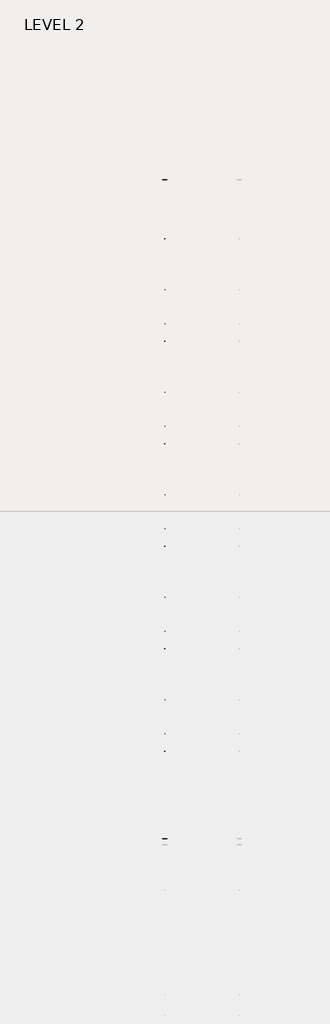
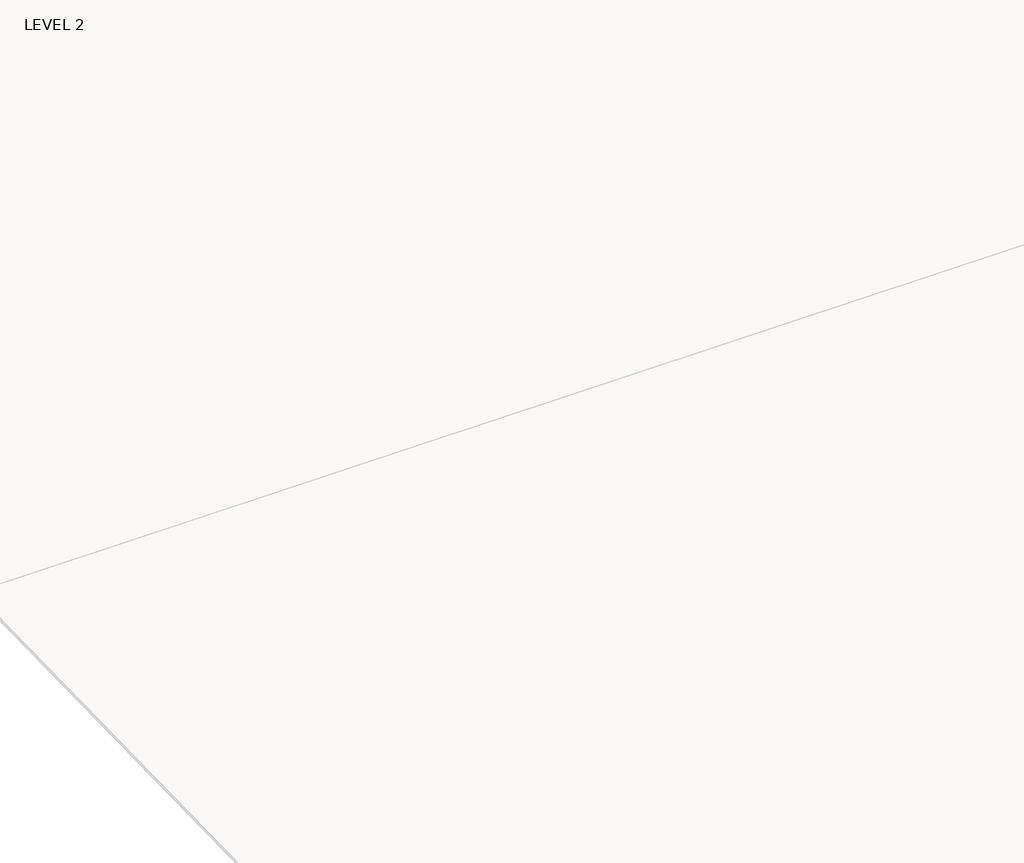
# One storey, part 16 of 67: 1 beam.
"""IFC4 building model written with IfcOpenShell, lengths in millimetres."""

from ifc_helpers import new_model, si_unit, frame, origin, place, context, project, spatial, polyline, outline, extrude, faceted_brep, element, save

model = new_model("IFC4")

# Units and contexts
model_context = context("Model", 3, world=origin())
ifc_project = project(units=[si_unit("LENGTHUNIT", "METRE", prefix="MILLI")], contexts=[model_context])

# Site, building, storey
site = spatial("IfcSite", under=ifc_project)
building = spatial("IfcBuilding", under=site)
storey = spatial("IfcBuildingStorey", under=building, Name="LEVEL 2", Elevation=6908.8)

# Beam
placement = place(None, origin())
element("IfcBeam", 1, ObjectType="K-Series Bar Joist-Angle Web : 20K3", at=placement, inside=storey, context=model_context, shape_type="SolidModel", body=[
    extrude(outline(polyline([(0.0, -9.525), (0.0, 0.0), (1028.0726482, 0.0), (1028.0726482, -9.525), (0.0, -9.525)])), frame((13664.7614942, 3035.5839205, 6301.58688), z_axis=(0.0, -0.4590612504427091, 0.8884046197212035), x_axis=(0.0, -0.8884046197212035, -0.4590612504427091)), (0.0, 0.0, 1.0), 9.525),
    extrude(outline(polyline([(0.0, -9.525), (0.0, 0.0), (1028.0726482, 0.0), (1028.0726482, -9.525), (0.0, -9.525)])), frame((13655.2364942, -8186.0164735, 6276.4352176), z_axis=(0.0, 0.45507418639266606, 0.8904535276358071), x_axis=(0.0, 0.8904535276358071, -0.45507418639266606)), (0.0, 0.0, 1.0), 9.525),
    extrude(outline(polyline([(4.7625, 4.7625), (4.7625, -4.7624999), (-4.7625, -4.7624999), (-4.7625, 4.7625), (4.7625, 4.7625)])), frame((13659.9989942, 2120.0531513, 5833.8695915), z_axis=(0.0, 0.5277744838731272, 0.8493845384585561), x_axis=(-1.0, 0.0, 0.0)), (0.0, 0.0, 1.0), 553.9970421),
    extrude(outline(polyline([(4.7625, 4.7625), (4.7625, -4.7625), (-4.7625, -4.7625), (-4.7625, 4.7625), (4.7625, 4.7625)])), frame((13659.9989942, -7268.3982664, 5812.8266786), z_axis=(0.0, -0.5315767175055621, 0.8470101495295153), x_axis=(-1.0, 0.0, 0.0)), (0.0, 0.0, 1.0), 553.9970421),
    extrude(outline(polyline([(0.0, 0.0), (31.75, 0.0), (31.75, -6.35), (6.35, -6.35), (6.35, -31.75), (0.0, -31.75), (0.0, 0.0)])), frame((13664.7614942, -7369.9837786, 5806.2489728), z_axis=(0.0, 0.9999974881589226, 0.0022413558051810334), x_axis=(1.0, 0.0, 0.0)), (0.0, 0.0, 1.0), 9591.675),
    extrude(outline(polyline([(-9.525, 0.0), (-9.525, -31.75), (-15.875, -31.75), (-15.875, -6.35), (-41.275, -6.35), (-41.275, 0.0), (-9.525, 0.0)])), frame((13664.7614942, -7369.9837786, 5806.2489728), z_axis=(0.0, 0.9999974881589226, 0.0022413558051810334), x_axis=(1.0, 0.0, 0.0)), (0.0, 0.0, 1.0), 9591.675),
    extrude(outline(polyline([(-31.75, 0.0), (0.0, 0.0), (0.0, -6.3500001), (-25.4, -6.3500001), (-25.4, -31.7500001), (-31.75, -31.7500001), (-31.75, 0.0)])), frame((13696.5114942, -8285.3777644, 6248.6983605), z_axis=(0.0, 0.9999974881589226, 0.0022413558051810334), x_axis=(1.0, 0.0, 0.0)), (0.0, 0.0, 1.0), 101.6),
    extrude(outline(polyline([(-41.275, 0.0), (-41.275, -31.7500001), (-47.625, -31.7500001), (-47.625, -6.3500001), (-73.025, -6.3500001), (-73.025, 0.0), (-41.275, 0.0)])), frame((13696.5114942, -8285.3777644, 6248.6983605), z_axis=(0.0, 0.9999974881589226, 0.0022413558051810334), x_axis=(1.0, 0.0, 0.0)), (0.0, 0.0, 1.0), 101.6),
    extrude(outline(polyline([(0.0, 0.0), (31.7500001, 0.0), (31.7500001, -6.35), (6.3500001, -6.35), (6.3500001, -31.75), (0.0, -31.75), (0.0, 0.0)])), frame((13655.2364942, 3033.4688044, 6274.0679867), z_axis=(0.0, 0.9999974881589226, 0.0022413558051810334), x_axis=(0.0, -0.0022413558051810334, 0.9999974881589226)), (0.0, 0.0, 1.0), 101.6),
    extrude(outline(polyline([(0.0, 41.275), (6.3500001, 41.275), (6.3500001, 15.875), (31.7500001, 15.875), (31.7500001, 9.525), (0.0, 9.525), (0.0, 41.275)])), frame((13655.2364942, 3033.4688044, 6274.0679867), z_axis=(0.0, 0.9999974881589226, 0.0022413558051810334), x_axis=(0.0, -0.0022413558051810334, 0.9999974881589226)), (0.0, 0.0, 1.0), 101.6),
    extrude(outline(polyline([(0.0, 0.0), (31.75, 0.0), (31.75, -6.35), (6.35, -6.35), (6.35, -31.75), (0.0, -31.75), (0.0, 0.0)])), frame((13664.7614942, -8285.5200905, 6312.198201), z_axis=(0.0, 0.9999974881589226, 0.0022413558051810334), x_axis=(0.0, 0.0022413558051810334, -0.9999974881589226)), (0.0, 0.0, 1.0), 11420.475),
    extrude(outline(polyline([(0.0, 9.525), (0.0, 41.275), (6.35, 41.275), (6.35, 15.875), (31.75, 15.875), (31.75, 9.525), (0.0, 9.525)])), frame((13664.7614942, -8285.5200905, 6312.198201), z_axis=(0.0, 0.9999974881589226, 0.0022413558051810334), x_axis=(0.0, 0.0022413558051810334, -0.9999974881589226)), (0.0, 0.0, 1.0), 11420.475),
    faceted_brep([(13659.9989942, 2120.0175697, 5849.7445517), (13659.9989942, 2120.0602676, 5830.6945995), (13655.2364942, 2120.0602676, 5830.6945995), (13655.2364942, 2120.0175697, 5849.7445517), (13659.9989942, 2119.1460678, 5849.7425983), (13659.9989942, 1837.3256415, 6331.7121491), (13659.9989942, 1819.1471913, 6331.6714046), (13659.9989942, 1819.1898891, 6312.6214525), (13659.9989942, 1826.4113751, 6312.6376384), (13659.9989942, 2108.2318014, 5830.6680876), (13655.2364942, 2108.2318014, 5830.6680876), (13655.2364942, 2087.8369021, 5865.547463), (13655.2364942, 2091.9481538, 5867.9514213), (13655.2364942, 1839.7930356, 6299.1873352), (13655.2364942, 1835.6817839, 6296.7833769), (13655.2364942, 1826.4113751, 6312.6376384), (13655.2364942, 1819.1898891, 6312.6214525), (13655.2364942, 1819.1471913, 6331.6714046), (13655.2364942, 1837.3256415, 6331.7121491), (13655.2364942, 2119.1460678, 5849.7425983), (13642.5364942, 1835.6817839, 6296.7833769), (13642.5364942, 2087.8369021, 5865.547463), (13642.5364942, 2091.9481538, 5867.9514213), (13642.5364942, 1839.7930356, 6299.1873352)], [[[0, 1, 2, 3]], [[1, 0, 4, 5, 6, 7, 8, 9]], [[2, 1, 9, 10]], [[3, 2, 10, 11, 12, 13, 14, 15, 16, 17, 18, 19]], [[0, 3, 19, 4]], [[9, 8, 15, 14, 20, 21, 11, 10]], [[5, 4, 19, 18]], [[7, 6, 17, 16]], [[8, 7, 16, 15]], [[6, 5, 18, 17]], [[21, 22, 12, 11]], [[20, 14, 13, 23]], [[22, 21, 20, 23]], [[12, 22, 23, 13]]]),
    extrude(outline(polyline([(1533.1828355, 5829.3791951), (1533.1401376, 5848.4291472), (1534.0116396, 5848.4311006), (1813.6687092, 6331.6591254), (1831.8471594, 6331.6998698), (1831.8898572, 6312.6499177), (1824.6683713, 6312.6337317), (1545.0113016, 5829.4057069), (1533.1828355, 5829.3791951)])), frame((13659.9989942, 0.0, 0.0), z_axis=(1.0, 0.0, 0.0), x_axis=(0.0, 1.0, 0.0)), (0.0, 0.0, 1.0), 4.7625),
    extrude(outline(polyline([(-4.7625, 4.7625), (-4.7625, 0.0), (-17.4625, 0.0), (-17.4625, 4.7625), (-4.7625, 4.7625)])), frame((13659.9989942, 1565.2496422, 5864.3761561), z_axis=(0.0, 0.5008933658556247, 0.865509004021231), x_axis=(-1.0, 0.0, 0.0)), (0.0, 0.0, 1.0), 499.5464113),
    faceted_brep([(13659.9989942, -6681.5564158, 5830.0170432), (13659.9989942, -6681.513718, 5810.967091), (13655.2364942, -6681.513718, 5810.967091), (13655.2364942, -6681.5564158, 5830.0170432), (13659.9989942, -6682.4279177, 5830.0150898), (13659.9989942, -6964.248344, 6311.9846406), (13659.9989942, -6982.4267942, 6311.9438961), (13659.9989942, -6982.3840964, 6292.893944), (13659.9989942, -6975.1626104, 6292.9101299), (13659.9989942, -6693.3421841, 5810.9405791), (13655.2364942, -6693.3421841, 5810.9405791), (13655.2364942, -6713.7370834, 5845.8199545), (13655.2364942, -6709.6258317, 5848.2239128), (13655.2364942, -6961.7809499, 6279.4598267), (13655.2364942, -6965.8922016, 6277.0558684), (13655.2364942, -6975.1626104, 6292.9101299), (13655.2364942, -6982.3840964, 6292.893944), (13655.2364942, -6982.4267942, 6311.9438961), (13655.2364942, -6964.248344, 6311.9846406), (13655.2364942, -6682.4279177, 5830.0150898), (13642.5364942, -6965.8922016, 6277.0558684), (13642.5364942, -6713.7370834, 5845.8199545), (13642.5364942, -6709.6258317, 5848.2239128), (13642.5364942, -6961.7809499, 6279.4598267)], [[[0, 1, 2, 3]], [[1, 0, 4, 5, 6, 7, 8, 9]], [[2, 1, 9, 10]], [[3, 2, 10, 11, 12, 13, 14, 15, 16, 17, 18, 19]], [[0, 3, 19, 4]], [[9, 8, 15, 14, 20, 21, 11, 10]], [[5, 4, 19, 18]], [[7, 6, 17, 16]], [[8, 7, 16, 15]], [[6, 5, 18, 17]], [[21, 22, 12, 11]], [[20, 14, 13, 23]], [[22, 21, 20, 23]], [[12, 22, 23, 13]]]),
    extrude(outline(polyline([(-7268.3911501, 5809.6516866), (-7268.4338479, 5828.7016387), (-7267.562346, 5828.7035921), (-6987.9052763, 6311.9316169), (-6969.7268261, 6311.9723613), (-6969.6841283, 6292.9224092), (-6976.9056143, 6292.9062232), (-7256.5626839, 5809.6781984), (-7268.3911501, 5809.6516866)])), frame((13659.9989942, 0.0, 0.0), z_axis=(1.0, 0.0, 0.0), x_axis=(0.0, 1.0, 0.0)), (0.0, 0.0, 1.0), 4.7625),
    extrude(outline(polyline([(-4.7625, 4.7625), (-4.7625, 0.0), (-17.4625, 0.0), (-17.4625, 4.7625), (-4.7625, 4.7625)])), frame((13659.9989942, -7236.3243434, 5844.6486476), z_axis=(0.0, 0.5008933658556247, 0.865509004021231), x_axis=(-1.0, 0.0, 0.0)), (0.0, 0.0, 1.0), 499.5464113),
    faceted_brep([(13659.9989942, 1533.2459707, 5848.4293844), (13659.9989942, 1533.2886685, 5829.3794323), (13655.2364942, 1533.2886685, 5829.3794323), (13655.2364942, 1533.2459707, 5848.4293844), (13659.9989942, 1532.3744688, 5848.4274311), (13659.9989942, 1250.5540425, 6330.3969819), (13659.9989942, 1232.3755923, 6330.3562374), (13659.9989942, 1232.4182901, 6311.3062852), (13659.9989942, 1239.6397761, 6311.3224712), (13659.9989942, 1521.4602024, 5829.3529204), (13655.2364942, 1521.4602024, 5829.3529204), (13655.2364942, 1501.0653031, 5864.2322958), (13655.2364942, 1505.1765548, 5866.6362541), (13655.2364942, 1253.0214366, 6297.872168), (13655.2364942, 1248.9101849, 6295.4682097), (13655.2364942, 1239.6397761, 6311.3224712), (13655.2364942, 1232.4182901, 6311.3062852), (13655.2364942, 1232.3755923, 6330.3562374), (13655.2364942, 1250.5540425, 6330.3969819), (13655.2364942, 1532.3744688, 5848.4274311), (13642.5364942, 1248.9101849, 6295.4682097), (13642.5364942, 1501.0653031, 5864.2322958), (13642.5364942, 1505.1765548, 5866.6362541), (13642.5364942, 1253.0214366, 6297.872168)], [[[0, 1, 2, 3]], [[1, 0, 4, 5, 6, 7, 8, 9]], [[2, 1, 9, 10]], [[3, 2, 10, 11, 12, 13, 14, 15, 16, 17, 18, 19]], [[0, 3, 19, 4]], [[9, 8, 15, 14, 20, 21, 11, 10]], [[5, 4, 19, 18]], [[7, 6, 17, 16]], [[8, 7, 16, 15]], [[6, 5, 18, 17]], [[21, 22, 12, 11]], [[20, 14, 13, 23]], [[22, 21, 20, 23]], [[12, 22, 23, 13]]]),
    extrude(outline(polyline([(946.4112364, 5828.0640278), (946.3685386, 5847.11398), (947.2400405, 5847.1159333), (1226.8971102, 6330.3439581), (1245.0755604, 6330.3847026), (1245.1182582, 6311.3347505), (1237.8967722, 6311.3185645), (958.2397026, 5828.0905397), (946.4112364, 5828.0640278)])), frame((13659.9989942, 0.0, 0.0), z_axis=(1.0, 0.0, 0.0), x_axis=(0.0, 1.0, 0.0)), (0.0, 0.0, 1.0), 4.7625),
    extrude(outline(polyline([(-4.7625, 4.7625), (-4.7625, 0.0), (-17.4625, 0.0), (-17.4625, 4.7625), (-4.7625, 4.7625)])), frame((13659.9989942, 978.4780432, 5863.0609889), z_axis=(0.0, 0.5008933658556247, 0.865509004021231), x_axis=(-1.0, 0.0, 0.0)), (0.0, 0.0, 1.0), 499.5464113),
    faceted_brep([(13659.9989942, 946.4743717, 5847.1142172), (13659.9989942, 946.5170695, 5828.064265), (13655.2364942, 946.5170695, 5828.064265), (13655.2364942, 946.4743717, 5847.1142172), (13659.9989942, 945.6028697, 5847.1122638), (13659.9989942, 663.7824435, 6329.0818146), (13659.9989942, 645.6039932, 6329.0410701), (13659.9989942, 645.6466911, 6309.991118), (13659.9989942, 652.8681771, 6310.007304), (13659.9989942, 934.6886033, 5828.0377532), (13655.2364942, 934.6886033, 5828.0377532), (13655.2364942, 914.2937041, 5862.9171286), (13655.2364942, 918.4049558, 5865.3210869), (13655.2364942, 666.2498375, 6296.5570007), (13655.2364942, 662.1385858, 6294.1530424), (13655.2364942, 652.8681771, 6310.007304), (13655.2364942, 645.6466911, 6309.991118), (13655.2364942, 645.6039932, 6329.0410701), (13655.2364942, 663.7824435, 6329.0818146), (13655.2364942, 945.6028697, 5847.1122638), (13642.5364942, 662.1385858, 6294.1530424), (13642.5364942, 914.2937041, 5862.9171286), (13642.5364942, 918.4049558, 5865.3210869), (13642.5364942, 666.2498375, 6296.5570007)], [[[0, 1, 2, 3]], [[1, 0, 4, 5, 6, 7, 8, 9]], [[2, 1, 9, 10]], [[3, 2, 10, 11, 12, 13, 14, 15, 16, 17, 18, 19]], [[0, 3, 19, 4]], [[9, 8, 15, 14, 20, 21, 11, 10]], [[5, 4, 19, 18]], [[7, 6, 17, 16]], [[8, 7, 16, 15]], [[6, 5, 18, 17]], [[21, 22, 12, 11]], [[20, 14, 13, 23]], [[22, 21, 20, 23]], [[12, 22, 23, 13]]]),
    extrude(outline(polyline([(359.6396374, 5826.7488606), (359.5969396, 5845.7988128), (360.4684415, 5845.8007661), (640.1255111, 6329.0287909), (658.3039613, 6329.0695354), (658.3466592, 6310.0195832), (651.1251732, 6310.0033973), (371.4681035, 5826.7753725), (359.6396374, 5826.7488606)])), frame((13659.9989942, 0.0, 0.0), z_axis=(1.0, 0.0, 0.0), x_axis=(0.0, 1.0, 0.0)), (0.0, 0.0, 1.0), 4.7625),
    extrude(outline(polyline([(-4.7625, 4.7625), (-4.7625, 0.0), (-17.4625, 0.0), (-17.4625, 4.7625), (-4.7625, 4.7625)])), frame((13659.9989942, 391.7064441, 5861.7458216), z_axis=(0.0, 0.5008933658556247, 0.865509004021231), x_axis=(-1.0, 0.0, 0.0)), (0.0, 0.0, 1.0), 499.5464113),
    faceted_brep([(13659.9989942, 359.7027726, 5845.79905), (13659.9989942, 359.7454705, 5826.7490978), (13655.2364942, 359.7454705, 5826.7490978), (13655.2364942, 359.7027726, 5845.79905), (13659.9989942, 358.8312707, 5845.7970966), (13659.9989942, 77.0108444, 6327.7666474), (13659.9989942, 58.8323942, 6327.7259029), (13659.9989942, 58.875092, 6308.6759508), (13659.9989942, 66.096578, 6308.6921367), (13659.9989942, 347.9170043, 5826.7225859), (13655.2364942, 347.9170043, 5826.7225859), (13655.2364942, 327.522105, 5861.6019613), (13655.2364942, 331.6333567, 5864.0059196), (13655.2364942, 79.4782385, 6295.2418335), (13655.2364942, 75.3669868, 6292.8378752), (13655.2364942, 66.096578, 6308.6921367), (13655.2364942, 58.875092, 6308.6759508), (13655.2364942, 58.8323942, 6327.7259029), (13655.2364942, 77.0108444, 6327.7666474), (13655.2364942, 358.8312707, 5845.7970966), (13642.5364942, 75.3669868, 6292.8378752), (13642.5364942, 327.522105, 5861.6019613), (13642.5364942, 331.6333567, 5864.0059196), (13642.5364942, 79.4782385, 6295.2418335)], [[[0, 1, 2, 3]], [[1, 0, 4, 5, 6, 7, 8, 9]], [[2, 1, 9, 10]], [[3, 2, 10, 11, 12, 13, 14, 15, 16, 17, 18, 19]], [[0, 3, 19, 4]], [[9, 8, 15, 14, 20, 21, 11, 10]], [[5, 4, 19, 18]], [[7, 6, 17, 16]], [[8, 7, 16, 15]], [[6, 5, 18, 17]], [[21, 22, 12, 11]], [[20, 14, 13, 23]], [[22, 21, 20, 23]], [[12, 22, 23, 13]]]),
    extrude(outline(polyline([(-227.1319616, 5825.4336934), (-227.1746595, 5844.4836455), (-226.3031575, 5844.4855989), (53.3539121, 6327.7136237), (71.5323623, 6327.7543681), (71.5750601, 6308.704416), (64.3535742, 6308.68823), (-215.3034955, 5825.4602052), (-227.1319616, 5825.4336934)])), frame((13659.9989942, 0.0, 0.0), z_axis=(1.0, 0.0, 0.0), x_axis=(0.0, 1.0, 0.0)), (0.0, 0.0, 1.0), 4.7625),
    extrude(outline(polyline([(-4.7625, 4.7625001), (-4.7625, 0.0), (-17.4625, 0.0), (-17.4625, 4.7625001), (-4.7625, 4.7625001)])), frame((13659.9989942, -195.0651549, 5860.4306544), z_axis=(0.0, 0.5008933658556247, 0.865509004021231), x_axis=(-1.0, 0.0, 0.0)), (0.0, 0.0, 1.0), 499.5464113),
    faceted_brep([(13659.9989942, -527.896507, 6307.3607835), (13659.9989942, -527.9392048, 6326.4107357), (13655.2364942, -527.9392048, 6326.4107357), (13655.2364942, -527.896507, 6307.3607835), (13659.9989942, -520.675021, 6307.3769695), (13655.2364942, -520.675021, 6307.3769695), (13642.5364942, -255.1382423, 5862.6907524), (13642.5364942, -259.249494, 5860.2867941), (13642.5364942, -511.4046122, 6291.522708), (13642.5364942, -507.2933605, 6293.9266663), (13659.9989942, -227.0688264, 5844.4838827), (13659.9989942, -227.0261286, 5825.4339306), (13655.2364942, -227.0261286, 5825.4339306), (13655.2364942, -227.0688264, 5844.4838827), (13659.9989942, -227.9403283, 5844.4819294), (13659.9989942, -509.7607546, 6326.4514802), (13659.9989942, -238.8545947, 5825.4074187), (13655.2364942, -238.8545947, 5825.4074187), (13655.2364942, -259.249494, 5860.2867941), (13655.2364942, -255.1382423, 5862.6907524), (13655.2364942, -507.2933605, 6293.9266663), (13655.2364942, -511.4046122, 6291.522708), (13655.2364942, -509.7607546, 6326.4514802), (13655.2364942, -227.9403283, 5844.4819294)], [[[0, 1, 2, 3]], [[4, 0, 3, 5]], [[6, 7, 8, 9]], [[10, 11, 12, 13]], [[11, 10, 14, 15, 1, 0, 4, 16]], [[12, 11, 16, 17]], [[13, 12, 17, 18, 19, 20, 21, 5, 3, 2, 22, 23]], [[10, 13, 23, 14]], [[16, 4, 5, 21, 8, 7, 18, 17]], [[15, 14, 23, 22]], [[1, 15, 22, 2]], [[7, 6, 19, 18]], [[8, 21, 20, 9]], [[19, 6, 9, 20]]]),
    extrude(outline(polyline([(-813.9035607, 5824.1185261), (-813.9462585, 5843.1684783), (-813.0747566, 5843.1704316), (-533.4176869, 6326.3984564), (-515.2392367, 6326.4392009), (-515.1965389, 6307.3892488), (-522.4180249, 6307.3730628), (-802.0750945, 5824.145038), (-813.9035607, 5824.1185261)])), frame((13659.9989942, 0.0, 0.0), z_axis=(1.0, 0.0, 0.0), x_axis=(0.0, 1.0, 0.0)), (0.0, 0.0, 1.0), 4.7625),
    extrude(outline(polyline([(-4.7625, 4.7624999), (-4.7625, 0.0), (-17.4625, 0.0), (-17.4625, 4.7624999), (-4.7625, 4.7624999)])), frame((13659.9989942, -781.836754, 5859.1154872), z_axis=(0.0, 0.5008933658556247, 0.865509004021231), x_axis=(-1.0, 0.0, 0.0)), (0.0, 0.0, 1.0), 499.5464113),
    faceted_brep([(13659.9989942, -1114.668106, 6306.0456163), (13659.9989942, -1114.7108039, 6325.0955684), (13655.2364942, -1114.7108039, 6325.0955684), (13655.2364942, -1114.668106, 6306.0456163), (13659.9989942, -1107.44662, 6306.0618023), (13655.2364942, -1107.44662, 6306.0618023), (13642.5364942, -841.9098413, 5861.3755852), (13642.5364942, -846.021093, 5858.9716269), (13642.5364942, -1098.1762113, 6290.2075407), (13642.5364942, -1094.0649596, 6292.611499), (13659.9989942, -813.8404254, 5843.1687155), (13659.9989942, -813.7977276, 5824.1187633), (13655.2364942, -813.7977276, 5824.1187633), (13655.2364942, -813.8404254, 5843.1687155), (13659.9989942, -814.7119274, 5843.1667621), (13659.9989942, -1096.5323536, 6325.1363129), (13659.9989942, -825.6261938, 5824.0922515), (13655.2364942, -825.6261938, 5824.0922515), (13655.2364942, -846.021093, 5858.9716269), (13655.2364942, -841.9098413, 5861.3755852), (13655.2364942, -1094.0649596, 6292.611499), (13655.2364942, -1098.1762113, 6290.2075407), (13655.2364942, -1096.5323536, 6325.1363129), (13655.2364942, -814.7119274, 5843.1667621)], [[[0, 1, 2, 3]], [[4, 0, 3, 5]], [[6, 7, 8, 9]], [[10, 11, 12, 13]], [[11, 10, 14, 15, 1, 0, 4, 16]], [[12, 11, 16, 17]], [[13, 12, 17, 18, 19, 20, 21, 5, 3, 2, 22, 23]], [[10, 13, 23, 14]], [[16, 4, 5, 21, 8, 7, 18, 17]], [[15, 14, 23, 22]], [[1, 15, 22, 2]], [[7, 6, 19, 18]], [[8, 21, 20, 9]], [[19, 6, 9, 20]]]),
    extrude(outline(polyline([(-1400.6751597, 5822.8033589), (-1400.7178575, 5841.8533111), (-1399.8463556, 5841.8552644), (-1120.189286, 6325.0832892), (-1102.0108358, 6325.1240337), (-1101.9681379, 6306.0740815), (-1109.1896239, 6306.0578956), (-1388.8466936, 5822.8298708), (-1400.6751597, 5822.8033589)])), frame((13659.9989942, 0.0, 0.0), z_axis=(1.0, 0.0, 0.0), x_axis=(0.0, 1.0, 0.0)), (0.0, 0.0, 1.0), 4.7625),
    extrude(outline(polyline([(-4.7625, 4.7625), (-4.7625, 0.0), (-17.4625, 0.0), (-17.4625, 4.7625), (-4.7625, 4.7625)])), frame((13659.9989942, -1368.608353, 5857.8003199), z_axis=(0.0, 0.5008933658556247, 0.865509004021231), x_axis=(-1.0, 0.0, 0.0)), (0.0, 0.0, 1.0), 499.5464113),
    faceted_brep([(13659.9989942, -1701.4397051, 6304.7304491), (13659.9989942, -1701.4824029, 6323.7804012), (13655.2364942, -1701.4824029, 6323.7804012), (13655.2364942, -1701.4397051, 6304.7304491), (13659.9989942, -1694.2182191, 6304.746635), (13655.2364942, -1694.2182191, 6304.746635), (13642.5364942, -1428.6814404, 5860.0604179), (13642.5364942, -1432.7926921, 5857.6564596), (13642.5364942, -1684.9478103, 6288.8923735), (13642.5364942, -1680.8365586, 6291.2963318), (13659.9989942, -1400.6120245, 5841.8535483), (13659.9989942, -1400.5693267, 5822.8035961), (13655.2364942, -1400.5693267, 5822.8035961), (13655.2364942, -1400.6120245, 5841.8535483), (13659.9989942, -1401.4835264, 5841.8515949), (13659.9989942, -1683.3039527, 6323.8211457), (13659.9989942, -1412.3977928, 5822.7770842), (13655.2364942, -1412.3977928, 5822.7770842), (13655.2364942, -1432.7926921, 5857.6564596), (13655.2364942, -1428.6814404, 5860.0604179), (13655.2364942, -1680.8365586, 6291.2963318), (13655.2364942, -1684.9478103, 6288.8923735), (13655.2364942, -1683.3039527, 6323.8211457), (13655.2364942, -1401.4835264, 5841.8515949)], [[[0, 1, 2, 3]], [[4, 0, 3, 5]], [[6, 7, 8, 9]], [[10, 11, 12, 13]], [[11, 10, 14, 15, 1, 0, 4, 16]], [[12, 11, 16, 17]], [[13, 12, 17, 18, 19, 20, 21, 5, 3, 2, 22, 23]], [[10, 13, 23, 14]], [[16, 4, 5, 21, 8, 7, 18, 17]], [[15, 14, 23, 22]], [[1, 15, 22, 2]], [[7, 6, 19, 18]], [[8, 21, 20, 9]], [[19, 6, 9, 20]]]),
    extrude(outline(polyline([(-1987.4467588, 5821.4881917), (-1987.4894566, 5840.5381438), (-1986.6179546, 5840.5400972), (-1706.960885, 6323.768122), (-1688.7824348, 6323.8088664), (-1688.739737, 6304.7589143), (-1695.961223, 6304.7427283), (-1975.6182926, 5821.5147035), (-1987.4467588, 5821.4881917)])), frame((13659.9989942, 0.0, 0.0), z_axis=(1.0, 0.0, 0.0), x_axis=(0.0, 1.0, 0.0)), (0.0, 0.0, 1.0), 4.7625),
    extrude(outline(polyline([(-4.7625, 4.7625001), (-4.7625, 0.0), (-17.4625, 0.0), (-17.4625, 4.7625001), (-4.7625, 4.7625001)])), frame((13659.9989942, -1955.379952, 5856.4851527), z_axis=(0.0, 0.5008933658556247, 0.865509004021231), x_axis=(-1.0, 0.0, 0.0)), (0.0, 0.0, 1.0), 499.5464113),
    faceted_brep([(13659.9989942, -2288.2113041, 6303.4152818), (13659.9989942, -2288.2540019, 6322.465234), (13655.2364942, -2288.2540019, 6322.465234), (13655.2364942, -2288.2113041, 6303.4152818), (13659.9989942, -2280.9898181, 6303.4314678), (13655.2364942, -2280.9898181, 6303.4314678), (13642.5364942, -2015.4530394, 5858.7452507), (13642.5364942, -2019.5642911, 5856.3412924), (13642.5364942, -2271.7194094, 6287.5772063), (13642.5364942, -2267.6081576, 6289.9811646), (13659.9989942, -1987.3836235, 5840.538381), (13659.9989942, -1987.3409257, 5821.4884289), (13655.2364942, -1987.3409257, 5821.4884289), (13655.2364942, -1987.3836235, 5840.538381), (13659.9989942, -1988.2551255, 5840.5364277), (13659.9989942, -2270.0755517, 6322.5059785), (13659.9989942, -1999.1693919, 5821.461917), (13655.2364942, -1999.1693919, 5821.461917), (13655.2364942, -2019.5642911, 5856.3412924), (13655.2364942, -2015.4530394, 5858.7452507), (13655.2364942, -2267.6081576, 6289.9811646), (13655.2364942, -2271.7194094, 6287.5772063), (13655.2364942, -2270.0755517, 6322.5059785), (13655.2364942, -1988.2551255, 5840.5364277)], [[[0, 1, 2, 3]], [[4, 0, 3, 5]], [[6, 7, 8, 9]], [[10, 11, 12, 13]], [[11, 10, 14, 15, 1, 0, 4, 16]], [[12, 11, 16, 17]], [[13, 12, 17, 18, 19, 20, 21, 5, 3, 2, 22, 23]], [[10, 13, 23, 14]], [[16, 4, 5, 21, 8, 7, 18, 17]], [[15, 14, 23, 22]], [[1, 15, 22, 2]], [[7, 6, 19, 18]], [[8, 21, 20, 9]], [[19, 6, 9, 20]]]),
    extrude(outline(polyline([(-2574.2183578, 5820.1730244), (-2574.2610556, 5839.2229766), (-2573.3895537, 5839.2249299), (-2293.732484, 6322.4529547), (-2275.5540338, 6322.4936992), (-2275.511336, 6303.4437471), (-2282.732822, 6303.4275611), (-2562.3898916, 5820.1995363), (-2574.2183578, 5820.1730244)])), frame((13659.9989942, 0.0, 0.0), z_axis=(1.0, 0.0, 0.0), x_axis=(0.0, 1.0, 0.0)), (0.0, 0.0, 1.0), 4.7625),
    extrude(outline(polyline([(-4.7625, 4.7624999), (-4.7625, 0.0), (-17.4625, 0.0), (-17.4625, 4.7624999), (-4.7625, 4.7624999)])), frame((13659.9989942, -2542.1515511, 5855.1699855), z_axis=(0.0, 0.5008933658556247, 0.865509004021231), x_axis=(-1.0, 0.0, 0.0)), (0.0, 0.0, 1.0), 499.5464113),
    faceted_brep([(13659.9989942, -2574.1552226, 5839.2232138), (13659.9989942, -2574.1125247, 5820.1732616), (13655.2364942, -2574.1125247, 5820.1732616), (13655.2364942, -2574.1552226, 5839.2232138), (13659.9989942, -2575.0267245, 5839.2212604), (13659.9989942, -2856.8471508, 6321.1908112), (13659.9989942, -2875.025601, 6321.1500667), (13659.9989942, -2874.9829031, 6302.1001146), (13659.9989942, -2867.7614172, 6302.1163006), (13659.9989942, -2585.9409909, 5820.1467498), (13655.2364942, -2585.9409909, 5820.1467498), (13655.2364942, -2606.3358902, 5855.0261252), (13655.2364942, -2602.2246384, 5857.4300835), (13655.2364942, -2854.3797567, 6288.6659973), (13655.2364942, -2858.4910084, 6286.262039), (13655.2364942, -2867.7614172, 6302.1163006), (13655.2364942, -2874.9829031, 6302.1001146), (13655.2364942, -2875.025601, 6321.1500667), (13655.2364942, -2856.8471508, 6321.1908112), (13655.2364942, -2575.0267245, 5839.2212604), (13642.5364942, -2858.4910084, 6286.262039), (13642.5364942, -2606.3358902, 5855.0261252), (13642.5364942, -2602.2246384, 5857.4300835), (13642.5364942, -2854.3797567, 6288.6659973)], [[[0, 1, 2, 3]], [[1, 0, 4, 5, 6, 7, 8, 9]], [[2, 1, 9, 10]], [[3, 2, 10, 11, 12, 13, 14, 15, 16, 17, 18, 19]], [[0, 3, 19, 4]], [[9, 8, 15, 14, 20, 21, 11, 10]], [[5, 4, 19, 18]], [[7, 6, 17, 16]], [[8, 7, 16, 15]], [[6, 5, 18, 17]], [[21, 22, 12, 11]], [[20, 14, 13, 23]], [[22, 21, 20, 23]], [[12, 22, 23, 13]]]),
    extrude(outline(polyline([(-3160.9899568, 5818.8578572), (-3161.0326547, 5837.9078094), (-3160.1611527, 5837.9097627), (-2880.5040831, 6321.1377875), (-2862.3256329, 6321.178532), (-2862.282935, 6302.1285798), (-2869.504421, 6302.1123939), (-3149.1614907, 5818.8843691), (-3160.9899568, 5818.8578572)])), frame((13659.9989942, 0.0, 0.0), z_axis=(1.0, 0.0, 0.0), x_axis=(0.0, 1.0, 0.0)), (0.0, 0.0, 1.0), 4.7625),
    extrude(outline(polyline([(-4.7625, 4.7625), (-4.7625, 0.0), (-17.4625, 0.0), (-17.4625, 4.7625), (-4.7625, 4.7625)])), frame((13659.9989942, -3128.9231501, 5853.8548182), z_axis=(0.0, 0.5008933658556247, 0.865509004021231), x_axis=(-1.0, 0.0, 0.0)), (0.0, 0.0, 1.0), 499.5464113),
    faceted_brep([(13659.9989942, -3160.9268216, 5837.9080466), (13659.9989942, -3160.8841238, 5818.8580944), (13655.2364942, -3160.8841238, 5818.8580944), (13655.2364942, -3160.9268216, 5837.9080466), (13659.9989942, -3161.7983235, 5837.9060932), (13659.9989942, -3443.6187498, 6319.875644), (13659.9989942, -3461.7972, 6319.8348995), (13659.9989942, -3461.7545022, 6300.7849474), (13659.9989942, -3454.5330162, 6300.8011333), (13659.9989942, -3172.7125899, 5818.8315825), (13655.2364942, -3172.7125899, 5818.8315825), (13655.2364942, -3193.1074892, 5853.7109579), (13655.2364942, -3188.9962375, 5856.1149162), (13655.2364942, -3441.1513557, 6287.3508301), (13655.2364942, -3445.2626074, 6284.9468718), (13655.2364942, -3454.5330162, 6300.8011333), (13655.2364942, -3461.7545022, 6300.7849474), (13655.2364942, -3461.7972, 6319.8348995), (13655.2364942, -3443.6187498, 6319.875644), (13655.2364942, -3161.7983235, 5837.9060932), (13642.5364942, -3445.2626074, 6284.9468718), (13642.5364942, -3193.1074892, 5853.7109579), (13642.5364942, -3188.9962375, 5856.1149162), (13642.5364942, -3441.1513557, 6287.3508301)], [[[0, 1, 2, 3]], [[1, 0, 4, 5, 6, 7, 8, 9]], [[2, 1, 9, 10]], [[3, 2, 10, 11, 12, 13, 14, 15, 16, 17, 18, 19]], [[0, 3, 19, 4]], [[9, 8, 15, 14, 20, 21, 11, 10]], [[5, 4, 19, 18]], [[7, 6, 17, 16]], [[8, 7, 16, 15]], [[6, 5, 18, 17]], [[21, 22, 12, 11]], [[20, 14, 13, 23]], [[22, 21, 20, 23]], [[12, 22, 23, 13]]]),
    extrude(outline(polyline([(-3747.7615559, 5817.54269), (-3747.8042537, 5836.5926421), (-3746.9327518, 5836.5945955), (-3467.2756821, 6319.8226203), (-3449.0972319, 6319.8633647), (-3449.0545341, 6300.8134126), (-3456.2760201, 6300.7972266), (-3735.9330897, 5817.5692018), (-3747.7615559, 5817.54269)])), frame((13659.9989942, 0.0, 0.0), z_axis=(1.0, 0.0, 0.0), x_axis=(0.0, 1.0, 0.0)), (0.0, 0.0, 1.0), 4.7625),
    extrude(outline(polyline([(-4.7625, 4.7625001), (-4.7625, 0.0), (-17.4625, 0.0), (-17.4625, 4.7625001), (-4.7625, 4.7625001)])), frame((13659.9989942, -3715.6947491, 5852.539651), z_axis=(0.0, 0.5008933658556247, 0.865509004021231), x_axis=(-1.0, 0.0, 0.0)), (0.0, 0.0, 1.0), 499.5464113),
    faceted_brep([(13659.9989942, -3747.6984206, 5836.5928793), (13659.9989942, -3747.6557228, 5817.5429272), (13655.2364942, -3747.6557228, 5817.5429272), (13655.2364942, -3747.6984206, 5836.5928793), (13659.9989942, -3748.5699226, 5836.590926), (13659.9989942, -4030.3903488, 6318.5604768), (13659.9989942, -4048.568799, 6318.5197323), (13659.9989942, -4048.5261012, 6299.4697801), (13659.9989942, -4041.3046152, 6299.4859661), (13659.9989942, -3759.484189, 5817.5164153), (13655.2364942, -3759.484189, 5817.5164153), (13655.2364942, -3779.8790882, 5852.3957907), (13655.2364942, -3775.7678365, 5854.799749), (13655.2364942, -4027.9229547, 6286.0356629), (13655.2364942, -4032.0342065, 6283.6317046), (13655.2364942, -4041.3046152, 6299.4859661), (13655.2364942, -4048.5261012, 6299.4697801), (13655.2364942, -4048.568799, 6318.5197323), (13655.2364942, -4030.3903488, 6318.5604768), (13655.2364942, -3748.5699226, 5836.590926), (13642.5364942, -4032.0342065, 6283.6317046), (13642.5364942, -3779.8790882, 5852.3957907), (13642.5364942, -3775.7678365, 5854.799749), (13642.5364942, -4027.9229547, 6286.0356629)], [[[0, 1, 2, 3]], [[1, 0, 4, 5, 6, 7, 8, 9]], [[2, 1, 9, 10]], [[3, 2, 10, 11, 12, 13, 14, 15, 16, 17, 18, 19]], [[0, 3, 19, 4]], [[9, 8, 15, 14, 20, 21, 11, 10]], [[5, 4, 19, 18]], [[7, 6, 17, 16]], [[8, 7, 16, 15]], [[6, 5, 18, 17]], [[21, 22, 12, 11]], [[20, 14, 13, 23]], [[22, 21, 20, 23]], [[12, 22, 23, 13]]]),
    extrude(outline(polyline([(-4334.5331549, 5816.2275227), (-4334.5758527, 5835.2774749), (-4333.7043508, 5835.2794282), (-4054.0472812, 6318.507453), (-4035.8688309, 6318.5481975), (-4035.8261331, 6299.4982454), (-4043.0476191, 6299.4820594), (-4322.7046887, 5816.2540346), (-4334.5331549, 5816.2275227)])), frame((13659.9989942, 0.0, 0.0), z_axis=(1.0, 0.0, 0.0), x_axis=(0.0, 1.0, 0.0)), (0.0, 0.0, 1.0), 4.7625),
    extrude(outline(polyline([(-4.7625, 4.7624999), (-4.7625, 0.0), (-17.4625, 0.0), (-17.4625, 4.7624999), (-4.7625, 4.7624999)])), frame((13659.9989942, -4302.4663482, 5851.2244838), z_axis=(0.0, 0.5008933658556247, 0.865509004021231), x_axis=(-1.0, 0.0, 0.0)), (0.0, 0.0, 1.0), 499.5464113),
    faceted_brep([(13659.9989942, -4334.4700197, 5835.2777121), (13659.9989942, -4334.4273218, 5816.2277599), (13655.2364942, -4334.4273218, 5816.2277599), (13655.2364942, -4334.4700197, 5835.2777121), (13659.9989942, -4335.3415216, 5835.2757587), (13659.9989942, -4617.1619479, 6317.2453095), (13659.9989942, -4635.3403981, 6317.204565), (13659.9989942, -4635.2977002, 6298.1546129), (13659.9989942, -4628.0762143, 6298.1707989), (13659.9989942, -4346.255788, 5816.2012481), (13655.2364942, -4346.255788, 5816.2012481), (13655.2364942, -4366.6506873, 5851.0806235), (13655.2364942, -4362.5394355, 5853.4845818), (13655.2364942, -4614.6945538, 6284.7204956), (13655.2364942, -4618.8058055, 6282.3165373), (13655.2364942, -4628.0762143, 6298.1707989), (13655.2364942, -4635.2977002, 6298.1546129), (13655.2364942, -4635.3403981, 6317.204565), (13655.2364942, -4617.1619479, 6317.2453095), (13655.2364942, -4335.3415216, 5835.2757587), (13642.5364942, -4618.8058055, 6282.3165373), (13642.5364942, -4366.6506873, 5851.0806235), (13642.5364942, -4362.5394355, 5853.4845818), (13642.5364942, -4614.6945538, 6284.7204956)], [[[0, 1, 2, 3]], [[1, 0, 4, 5, 6, 7, 8, 9]], [[2, 1, 9, 10]], [[3, 2, 10, 11, 12, 13, 14, 15, 16, 17, 18, 19]], [[0, 3, 19, 4]], [[9, 8, 15, 14, 20, 21, 11, 10]], [[5, 4, 19, 18]], [[7, 6, 17, 16]], [[8, 7, 16, 15]], [[6, 5, 18, 17]], [[21, 22, 12, 11]], [[20, 14, 13, 23]], [[22, 21, 20, 23]], [[12, 22, 23, 13]]]),
    extrude(outline(polyline([(-4921.3047539, 5814.9123555), (-4921.3474518, 5833.9623077), (-4920.4759498, 5833.964261), (-4640.8188802, 6317.1922858), (-4622.64043, 6317.2330303), (-4622.5977321, 6298.1830781), (-4629.8192181, 6298.1668922), (-4909.4762878, 5814.9388674), (-4921.3047539, 5814.9123555)])), frame((13659.9989942, 0.0, 0.0), z_axis=(1.0, 0.0, 0.0), x_axis=(0.0, 1.0, 0.0)), (0.0, 0.0, 1.0), 4.7625),
    extrude(outline(polyline([(-4.7625, 4.7625), (-4.7625, 0.0), (-17.4625, 0.0), (-17.4625, 4.7625), (-4.7625, 4.7625)])), frame((13659.9989942, -4889.2379472, 5849.9093165), z_axis=(0.0, 0.5008933658556247, 0.865509004021231), x_axis=(-1.0, 0.0, 0.0)), (0.0, 0.0, 1.0), 499.5464113),
    faceted_brep([(13659.9989942, -4921.2416187, 5833.9625449), (13659.9989942, -4921.1989209, 5814.9125927), (13655.2364942, -4921.1989209, 5814.9125927), (13655.2364942, -4921.2416187, 5833.9625449), (13659.9989942, -4922.1131206, 5833.9605915), (13659.9989942, -5203.9335469, 6315.9301423), (13659.9989942, -5222.1119971, 6315.8893978), (13659.9989942, -5222.0692993, 6296.8394457), (13659.9989942, -5214.8478133, 6296.8556316), (13659.9989942, -4933.027387, 5814.8860808), (13655.2364942, -4933.027387, 5814.8860808), (13655.2364942, -4953.4222863, 5849.7654562), (13655.2364942, -4949.3110346, 5852.1694145), (13655.2364942, -5201.4661528, 6283.4053284), (13655.2364942, -5205.5774045, 6281.0013701), (13655.2364942, -5214.8478133, 6296.8556316), (13655.2364942, -5222.0692993, 6296.8394457), (13655.2364942, -5222.1119971, 6315.8893978), (13655.2364942, -5203.9335469, 6315.9301423), (13655.2364942, -4922.1131206, 5833.9605915), (13642.5364942, -5205.5774045, 6281.0013701), (13642.5364942, -4953.4222863, 5849.7654562), (13642.5364942, -4949.3110346, 5852.1694145), (13642.5364942, -5201.4661528, 6283.4053284)], [[[0, 1, 2, 3]], [[1, 0, 4, 5, 6, 7, 8, 9]], [[2, 1, 9, 10]], [[3, 2, 10, 11, 12, 13, 14, 15, 16, 17, 18, 19]], [[0, 3, 19, 4]], [[9, 8, 15, 14, 20, 21, 11, 10]], [[5, 4, 19, 18]], [[7, 6, 17, 16]], [[8, 7, 16, 15]], [[6, 5, 18, 17]], [[21, 22, 12, 11]], [[20, 14, 13, 23]], [[22, 21, 20, 23]], [[12, 22, 23, 13]]]),
    extrude(outline(polyline([(-5508.076353, 5813.5971883), (-5508.1190508, 5832.6471404), (-5507.2475489, 5832.6490938), (-5227.5904792, 6315.8771186), (-5209.412029, 6315.917863), (-5209.3693312, 6296.8679109), (-5216.5908172, 6296.8517249), (-5496.2478868, 5813.6237001), (-5508.076353, 5813.5971883)])), frame((13659.9989942, 0.0, 0.0), z_axis=(1.0, 0.0, 0.0), x_axis=(0.0, 1.0, 0.0)), (0.0, 0.0, 1.0), 4.7625),
    extrude(outline(polyline([(-4.7625, 4.7625001), (-4.7625, 0.0), (-17.4625, 0.0), (-17.4625, 4.7625001), (-4.7625, 4.7625001)])), frame((13659.9989942, -5476.0095462, 5848.5941493), z_axis=(0.0, 0.5008933658556247, 0.865509004021231), x_axis=(-1.0, 0.0, 0.0)), (0.0, 0.0, 1.0), 499.5464113),
    faceted_brep([(13659.9989942, -5508.0132177, 5832.6473776), (13659.9989942, -5507.9705199, 5813.5974255), (13655.2364942, -5507.9705199, 5813.5974255), (13655.2364942, -5508.0132177, 5832.6473776), (13659.9989942, -5508.8847197, 5832.6454243), (13659.9989942, -5790.7051459, 6314.6149751), (13659.9989942, -5808.8835961, 6314.5742306), (13659.9989942, -5808.8408983, 6295.5242784), (13659.9989942, -5801.6194123, 6295.5404644), (13659.9989942, -5519.7989861, 5813.5709136), (13655.2364942, -5519.7989861, 5813.5709136), (13655.2364942, -5540.1938853, 5848.450289), (13655.2364942, -5536.0826336, 5850.8542473), (13655.2364942, -5788.2377519, 6282.0901612), (13655.2364942, -5792.3490036, 6279.6862029), (13655.2364942, -5801.6194123, 6295.5404644), (13655.2364942, -5808.8408983, 6295.5242784), (13655.2364942, -5808.8835961, 6314.5742306), (13655.2364942, -5790.7051459, 6314.6149751), (13655.2364942, -5508.8847197, 5832.6454243), (13642.5364942, -5792.3490036, 6279.6862029), (13642.5364942, -5540.1938853, 5848.450289), (13642.5364942, -5536.0826336, 5850.8542473), (13642.5364942, -5788.2377519, 6282.0901612)], [[[0, 1, 2, 3]], [[1, 0, 4, 5, 6, 7, 8, 9]], [[2, 1, 9, 10]], [[3, 2, 10, 11, 12, 13, 14, 15, 16, 17, 18, 19]], [[0, 3, 19, 4]], [[9, 8, 15, 14, 20, 21, 11, 10]], [[5, 4, 19, 18]], [[7, 6, 17, 16]], [[8, 7, 16, 15]], [[6, 5, 18, 17]], [[21, 22, 12, 11]], [[20, 14, 13, 23]], [[22, 21, 20, 23]], [[12, 22, 23, 13]]]),
    extrude(outline(polyline([(-6094.847952, 5812.282021), (-6094.8906498, 5831.3319732), (-6094.0191479, 5831.3339265), (-5814.3620783, 6314.5619513), (-5796.183628, 6314.6026958), (-5796.1409302, 6295.5527437), (-5803.3624162, 6295.5365577), (-6083.0194858, 5812.3085329), (-6094.847952, 5812.282021)])), frame((13659.9989942, 0.0, 0.0), z_axis=(1.0, 0.0, 0.0), x_axis=(0.0, 1.0, 0.0)), (0.0, 0.0, 1.0), 4.7625),
    extrude(outline(polyline([(-4.7625, 4.7624999), (-4.7625, 0.0), (-17.4625, 0.0), (-17.4625, 4.7624999), (-4.7625, 4.7624999)])), frame((13659.9989942, -6062.7811453, 5847.2789821), z_axis=(0.0, 0.5008933658556247, 0.865509004021231), x_axis=(-1.0, 0.0, 0.0)), (0.0, 0.0, 1.0), 499.5464113),
    faceted_brep([(13659.9989942, -6094.7848168, 5831.3322104), (13659.9989942, -6094.7421189, 5812.2822582), (13655.2364942, -6094.7421189, 5812.2822582), (13655.2364942, -6094.7848168, 5831.3322104), (13659.9989942, -6095.6563187, 5831.330257), (13659.9989942, -6377.476745, 6313.2998078), (13659.9989942, -6395.6551952, 6313.2590633), (13659.9989942, -6395.6124974, 6294.2091112), (13659.9989942, -6388.3910114, 6294.2252972), (13659.9989942, -6106.5705851, 5812.2557464), (13655.2364942, -6106.5705851, 5812.2557464), (13655.2364942, -6126.9654844, 5847.1351218), (13655.2364942, -6122.8542327, 5849.5390801), (13655.2364942, -6375.0093509, 6280.7749939), (13655.2364942, -6379.1206026, 6278.3710356), (13655.2364942, -6388.3910114, 6294.2252972), (13655.2364942, -6395.6124974, 6294.2091112), (13655.2364942, -6395.6551952, 6313.2590633), (13655.2364942, -6377.476745, 6313.2998078), (13655.2364942, -6095.6563187, 5831.330257), (13642.5364942, -6379.1206026, 6278.3710356), (13642.5364942, -6126.9654844, 5847.1351218), (13642.5364942, -6122.8542327, 5849.5390801), (13642.5364942, -6375.0093509, 6280.7749939)], [[[0, 1, 2, 3]], [[1, 0, 4, 5, 6, 7, 8, 9]], [[2, 1, 9, 10]], [[3, 2, 10, 11, 12, 13, 14, 15, 16, 17, 18, 19]], [[0, 3, 19, 4]], [[9, 8, 15, 14, 20, 21, 11, 10]], [[5, 4, 19, 18]], [[7, 6, 17, 16]], [[8, 7, 16, 15]], [[6, 5, 18, 17]], [[21, 22, 12, 11]], [[20, 14, 13, 23]], [[22, 21, 20, 23]], [[12, 22, 23, 13]]]),
    extrude(outline(polyline([(-6681.619551, 5810.9668538), (-6681.6622489, 5830.016806), (-6680.7907469, 5830.0187593), (-6401.1336773, 6313.2467841), (-6382.9552271, 6313.2875286), (-6382.9125293, 6294.2375764), (-6390.1340152, 6294.2213905), (-6669.7910849, 5810.9933657), (-6681.619551, 5810.9668538)])), frame((13659.9989942, 0.0, 0.0), z_axis=(1.0, 0.0, 0.0), x_axis=(0.0, 1.0, 0.0)), (0.0, 0.0, 1.0), 4.7625),
    extrude(outline(polyline([(-4.7625, 4.7625), (-4.7625, 0.0), (-17.4625, 0.0), (-17.4625, 4.7625), (-4.7625, 4.7625)])), frame((13659.9989942, -6649.5527443, 5845.9638148), z_axis=(0.0, 0.5008933658556247, 0.865509004021231), x_axis=(-1.0, 0.0, 0.0)), (0.0, 0.0, 1.0), 499.5464113),
])

save(model, "model.ifc")
